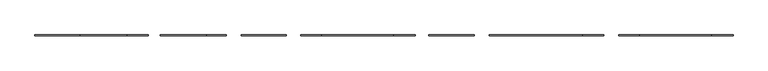
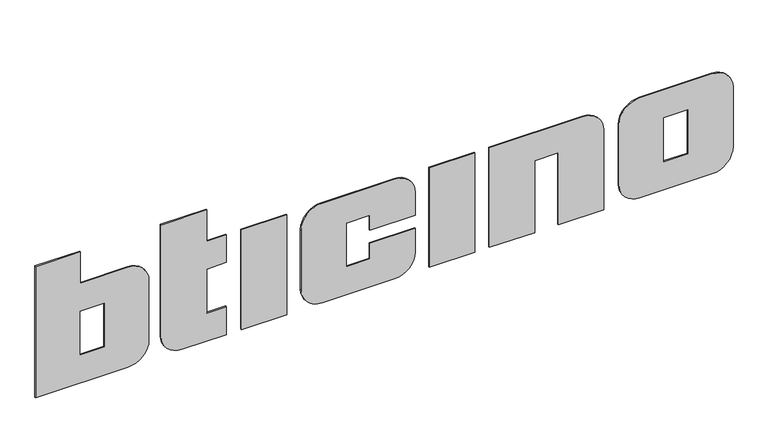
"""IFC4 building model written with IfcOpenShell, lengths in millimetres: proxy geometry."""

from ifc_helpers import new_model, si_unit, point, frame, frame_2d, origin, origin_with_axes, place, context, project, spatial, polyline, circle_curve, trimmed, segment, composite_curve, outline, extrude, source, transform, mapped, element, save


def generic_models_4a89f1fd(model_context):
    return source(origin(), model_context, "Body", "SweptSolid", [
        extrude(outline(composite_curve([segment(trimmed(circle_curve(frame_2d((100.0, 693.8123622)), 100.0), [point((100.0, 593.8123622))], [point((0.0, 693.8123622))], False, "CARTESIAN"), True, "CONTINUOUS"), segment(polyline([(0.0, 693.8123622), (0.0, 905.4020662), (140.4676136, 905.4020662), (140.4676136, 811.6520662), (361.1264701, 811.6520662), (361.1264701, 905.4020662), (500.0, 905.4020662), (500.0, 811.6520662), (657.8649138, 811.6520662), (657.8649138, 593.8123622), (100.0, 593.8123622)]), True, "CONTINUOUS")], self_intersect=False)), frame((0.0, 161.9662284, 0.0), z_axis=(0.0, 1.0, 0.0), x_axis=(0.0, 0.0, 1.0)), (0.0, 0.0, 1.0), 5.0),
        extrude(outline(polyline([(1191.6722651, 161.9662284), (976.3510245, 161.9662284), (976.3510245, 166.9662284), (1191.6722651, 166.9662284), (1191.6722651, 161.9662284)])), origin_with_axes(), (0.0, 0.0, 1.0), 500.0),
        extrude(outline(composite_curve([segment(trimmed(circle_curve(frame_2d((100.0, 1700.5443186)), 100.0), [point((0.0, 1700.5443186))], [point((100.0, 1800.5443186))], False, "CARTESIAN"), True, "CONTINUOUS"), segment(polyline([(100.0, 1800.5443186), (219.008443, 1800.5443186), (219.008443, 1585.2042977), (140.868332, 1585.2042977), (140.868332, 1472.4173127), (360.0928622, 1472.4173127), (360.0928622, 1585.2042977), (283.5800318, 1585.2042977), (283.5800318, 1800.5443186), (400.0, 1800.5443186)]), True, "CONTINUOUS"), segment(trimmed(circle_curve(frame_2d((400.0, 1700.5443186)), 100.0), [point((400.0, 1800.5443186))], [point((500.0, 1700.5443186))], False, "CARTESIAN"), True, "CONTINUOUS"), segment(polyline([(500.0, 1700.5443186), (500.0, 1358.6722335)]), True, "CONTINUOUS"), segment(trimmed(circle_curve(frame_2d((400.0, 1358.6722335)), 100.0), [point((500.0, 1358.6722335))], [point((400.0, 1258.6722335))], False, "CARTESIAN"), True, "CONTINUOUS"), segment(polyline([(400.0, 1258.6722335), (100.0, 1258.6722335)]), True, "CONTINUOUS"), segment(trimmed(circle_curve(frame_2d((100.0, 1358.6722335)), 100.0), [point((100.0, 1258.6722335))], [point((0.0, 1358.6722335))], False, "CARTESIAN"), True, "CONTINUOUS"), segment(polyline([(0.0, 1358.6722335), (0.0, 1700.5443186)]), True, "CONTINUOUS")], self_intersect=False)), frame((0.0, 161.9662284, 0.0), z_axis=(0.0, 1.0, 0.0), x_axis=(0.0, 0.0, 1.0)), (0.0, 0.0, 1.0), 5.0),
        extrude(outline(polyline([(2081.6722651, 161.9662284), (1866.3510245, 161.9662284), (1866.3510245, 166.9662284), (2081.6722651, 166.9662284), (2081.6722651, 161.9662284)])), origin_with_axes(), (0.0, 0.0, 1.0), 500.0),
        extrude(outline(composite_curve([segment(polyline([(500.0, 2152.1372778), (0.0, 2152.1372778), (0.0, 2365.882357), (360.0928622, 2365.882357), (360.0928622, 2478.669342), (0.0, 2478.669342), (0.0, 2694.0093629), (400.0, 2694.0093629)]), True, "CONTINUOUS"), segment(trimmed(circle_curve(frame_2d((400.0, 2594.0093629)), 100.0), [point((400.0, 2694.0093629))], [point((500.0, 2594.0093629))], False, "CARTESIAN"), True, "CONTINUOUS"), segment(polyline([(500.0, 2594.0093629), (500.0, 2152.1372778)]), True, "CONTINUOUS")], self_intersect=False)), frame((0.0, 161.9662284, 0.0), z_axis=(0.0, 1.0, 0.0), x_axis=(0.0, 0.0, 1.0)), (0.0, 0.0, 1.0), 5.0),
        extrude(outline(composite_curve([segment(polyline([(400.0, 2765.2287444), (100.0, 2765.2287444)]), True, "CONTINUOUS"), segment(trimmed(circle_curve(frame_2d((100.0, 2865.2287444)), 100.0), [point((100.0, 2765.2287444))], [point((0.0, 2865.2287444))], False, "CARTESIAN"), True, "CONTINUOUS"), segment(polyline([(0.0, 2865.2287444), (0.0, 3207.1008295)]), True, "CONTINUOUS"), segment(trimmed(circle_curve(frame_2d((100.0, 3207.1008295)), 100.0), [point((0.0, 3207.1008295))], [point((100.0, 3307.1008295))], False, "CARTESIAN"), True, "CONTINUOUS"), segment(polyline([(100.0, 3307.1008295), (400.0, 3307.1008295)]), True, "CONTINUOUS"), segment(trimmed(circle_curve(frame_2d((400.0, 3207.1008295)), 100.0), [point((400.0, 3307.1008295))], [point((500.0, 3207.1008295))], False, "CARTESIAN"), True, "CONTINUOUS"), segment(polyline([(500.0, 3207.1008295), (500.0, 2865.2287444)]), True, "CONTINUOUS"), segment(trimmed(circle_curve(frame_2d((400.0, 2865.2287444)), 100.0), [point((500.0, 2865.2287444))], [point((400.0, 2765.2287444))], False, "CARTESIAN"), True, "CONTINUOUS")], self_intersect=False), holes=[polyline([(360.0928622, 2978.9738236), (360.0928622, 3091.7608086), (140.868332, 3091.7608086), (140.868332, 2978.9738236), (360.0928622, 2978.9738236)])]), frame((0.0, 161.9662284, 0.0), z_axis=(0.0, 1.0, 0.0), x_axis=(0.0, 0.0, 1.0)), (0.0, 0.0, 1.0), 5.0),
        extrude(outline(composite_curve([segment(polyline([(0.0, 0.0), (0.0, 437.6780545)]), True, "CONTINUOUS"), segment(trimmed(circle_curve(frame_2d((100.0, 437.6780545)), 100.0), [point((0.0, 437.6780545))], [point((100.0, 537.6780545))], False, "CARTESIAN"), True, "CONTINUOUS"), segment(polyline([(100.0, 537.6780545), (400.0, 537.6780545)]), True, "CONTINUOUS"), segment(trimmed(circle_curve(frame_2d((400.0, 437.6780545)), 100.0), [point((400.0, 537.6780545))], [point((500.0, 437.6780545))], False, "CARTESIAN"), True, "CONTINUOUS"), segment(polyline([(500.0, 437.6780545), (500.0, 212.522637), (657.8649138, 212.522637), (657.8649138, 0.0), (0.0, 0.0)]), True, "CONTINUOUS")], self_intersect=False), holes=[polyline([(360.0928622, 325.3096221), (140.868332, 325.3096221), (140.868332, 212.522637), (360.0928622, 212.522637), (360.0928622, 325.3096221)])]), frame((0.0, 161.9662284, 0.0), z_axis=(0.0, 1.0, 0.0), x_axis=(0.0, 0.0, 1.0)), (0.0, 0.0, 1.0), 5.0),
    ])


if __name__ == "__main__":
    model = new_model("IFC4")
    model_context = context("Model", 3, world=origin())
    ifc_project = project(units=[si_unit("LENGTHUNIT", "METRE", prefix="MILLI")], contexts=[model_context])
    site = spatial("IfcSite", under=ifc_project)
    building = spatial("IfcBuilding", under=site)
    placement = place(None, origin())
    generic_models_shape = generic_models_4a89f1fd(model_context)
    element("IfcBuildingElementProxy", 1, Name="Generic Models", at=placement, inside=building, context=model_context, shape_type="MappedRepresentation", body=[
        mapped(generic_models_shape, transform((0.0, 0.0, 0.0), x_axis=(1.0, 0.0, 0.0), y_axis=(0.0, 1.0, 0.0), z_axis=(0.0, 0.0, 1.0))),
    ])
    save(model, "model.ifc")
